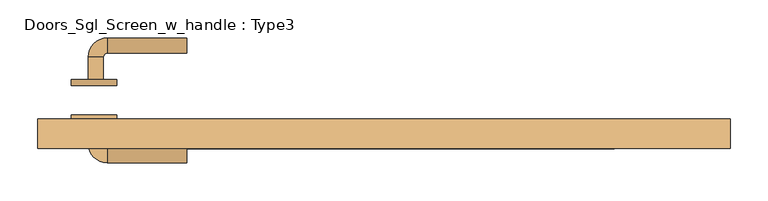
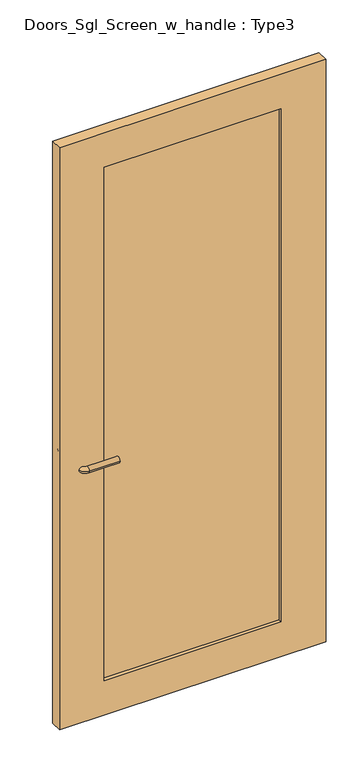
"""IFC4 building model written with IfcOpenShell, lengths in millimetres: door geometry, Doors_Sgl_Screen_w_handle : Type3."""

from ifc_helpers import new_model, si_unit, point, frame, frame_2d, origin, place, context, project, spatial, polyline, circle_curve, ellipse_curve, trimmed, segment, composite_curve, outline, extrude, source, transform, mapped, element, save
from ifc_brep_helpers import plane_surface, cylinder_surface, revolved_surface, advanced_brep


def doors_sgl_screen_w_handle_type3_7087f334(model_context):
    return source(origin(), model_context, "Body", "SolidModel", [
        advanced_brep(
        [(-389.4125, 33.964741, 914.4), (-369.4125, 33.964741, 914.4), (-389.4125, 63.964741, 914.4), (-369.4125, 63.964741, 914.4), (-364.4125, 68.964741, 914.4), (-364.4125, 88.964741, 914.4), (-259.4125, 88.964741, 914.4), (-259.4125, 68.964741, 914.4)],
        [
            (0, 1, circle_curve(frame((-379.4125, 33.964741, 914.4), z_axis=(0.0, -1.0, 0.0), x_axis=(1.0, 0.0, 0.0)), 10.0)),
            (1, 0, circle_curve(frame((-379.4125, 33.964741, 914.4), z_axis=(0.0, -1.0, 0.0), x_axis=(1.0, 0.0, 0.0)), 10.0)),
            (0, 2),
            (2, 3, circle_curve(frame((-379.4125, 63.964741, 914.4), z_axis=(0.0, -1.0, 0.0), x_axis=(1.0, 0.0, 0.0)), 10.0)),
            (3, 1),
            (3, 2, circle_curve(frame((-379.4125, 63.964741, 914.4), z_axis=(0.0, -1.0, 0.0), x_axis=(1.0, 0.0, 0.0)), 10.0)),
            (4, 3, circle_curve(frame((-364.4125, 63.964741, 914.4), z_axis=(0.0, 0.0, 1.0), x_axis=(-1.0, 0.0, 0.0)), 5.0)),
            (2, 5, circle_curve(frame((-364.4125, 63.964741, 914.4), z_axis=(0.0, 0.0, -1.0), x_axis=(-1.0, 0.0, 0.0)), 25.0)),
            (5, 4, circle_curve(frame((-364.4125, 78.964741, 914.4), z_axis=(-1.0, 0.0, 0.0), x_axis=(0.0, -1.0, 0.0)), 10.0)),
            (4, 5, circle_curve(frame((-364.4125, 78.964741, 914.4), z_axis=(-1.0, 0.0, 0.0), x_axis=(0.0, -1.0, 0.0)), 10.0)),
            (6, 7, circle_curve(frame((-259.4125, 78.964741, 914.4), z_axis=(1.0, 0.0, 0.0), x_axis=(0.0, -1.0, 0.0)), 10.0)),
            (7, 6, circle_curve(frame((-259.4125, 78.964741, 914.4), z_axis=(1.0, 0.0, 0.0), x_axis=(0.0, -1.0, 0.0)), 10.0)),
            (5, 6),
            (7, 4),
        ],
        [
            plane_surface(frame((-379.4125, 33.964741, 914.4), z_axis=(0.0, -1.0, 0.0), x_axis=(0.0, 0.0, 1.0))),
            cylinder_surface(frame((-379.4125, 33.964741, 914.4), z_axis=(0.0, -1.0, 0.0), x_axis=(1.0, 0.0, 0.0)), 10.0),
            revolved_surface(trimmed(ellipse_curve(frame((-379.4125, 63.964741, 914.4), z_axis=(0.0, -1.0, 0.0), x_axis=(1.0, 0.0, 0.0)), 10.0, 10.0), [point((-389.4125, 63.964741, 914.4))], [point((-369.4125, 63.964741, 914.4))], True, "CARTESIAN"), (-364.4125, 63.964741, 914.4), (0.0, 0.0, -1.0)),
            revolved_surface(trimmed(ellipse_curve(frame((-379.4125, 63.964741, 914.4), z_axis=(0.0, -1.0, 0.0), x_axis=(1.0, 0.0, 0.0)), 10.0, 10.0), [point((-369.4125, 63.964741, 914.4))], [point((-389.4125, 63.964741, 914.4))], True, "CARTESIAN"), (-364.4125, 63.964741, 914.4), (0.0, 0.0, -1.0)),
            plane_surface(frame((-259.4125, 78.964741, 914.4), z_axis=(1.0, 0.0, 0.0), x_axis=(0.0, 0.0, 1.0))),
            cylinder_surface(frame((-364.4125, 78.964741, 914.4), z_axis=(-1.0, 0.0, 0.0), x_axis=(0.0, -1.0, 0.0)), 10.0),
        ],
        [
            (0, [[1, 2]]),
            (1, [[-1, 3, 4, 5]]),
            (1, [[-2, -5, 6, -3]]),
            (2, [[7, -4, 8, 9]]),
            (3, [[-8, -6, -7, 10]]),
            (4, [[11, 12]]),
            (5, [[-9, 13, -12, 14]]),
            (5, [[-10, -14, -11, -13]]),
        ],
    ),
        extrude(outline(composite_curve([segment(trimmed(circle_curve(frame_2d((914.4, -381.9125)), 30.0), [point((914.4, -411.9125))], [point((914.4, -351.9125))], False, "CARTESIAN"), True, "CONTINUOUS"), segment(trimmed(circle_curve(frame_2d((914.4, -381.9125)), 30.0), [point((914.4, -351.9125))], [point((914.4, -411.9125))], False, "CARTESIAN"), True, "CONTINUOUS")], self_intersect=False)), frame((0.0, 25.964741, 0.0), z_axis=(0.0, 1.0, 0.0), x_axis=(0.0, 0.0, 1.0)), (0.0, 0.0, 1.0), 8.0),
        advanced_brep(
        [(-389.4125, -20.5788556, 914.4), (-369.4125, -20.5788556, 914.4), (-369.4125, -50.5788556, 914.4), (-389.4125, -50.5788556, 914.4), (-364.4125, -55.5788556, 914.4), (-364.4125, -75.5788556, 914.4), (-259.4125, -75.5788556, 914.4), (-259.4125, -55.5788556, 914.4)],
        [
            (0, 1, circle_curve(frame((-379.4125, -20.5788556, 914.4), z_axis=(0.0, 1.0, 0.0), x_axis=(1.0, 0.0, 0.0)), 10.0)),
            (1, 0, circle_curve(frame((-379.4125, -20.5788556, 914.4), z_axis=(0.0, 1.0, 0.0), x_axis=(1.0, 0.0, 0.0)), 10.0)),
            (1, 2),
            (2, 3, circle_curve(frame((-379.4125, -50.5788556, 914.4), z_axis=(0.0, 1.0, 0.0), x_axis=(1.0, 0.0, 0.0)), 10.0)),
            (3, 0),
            (3, 2, circle_curve(frame((-379.4125, -50.5788556, 914.4), z_axis=(0.0, 1.0, 0.0), x_axis=(1.0, 0.0, 0.0)), 10.0)),
            (4, 5, circle_curve(frame((-364.4125, -65.5788556, 914.4), z_axis=(-1.0, 0.0, 0.0), x_axis=(0.0, 1.0, 0.0)), 10.0)),
            (5, 3, circle_curve(frame((-364.4125, -50.5788556, 914.4), z_axis=(0.0, 0.0, -1.0), x_axis=(-1.0, 0.0, 0.0)), 25.0)),
            (2, 4, circle_curve(frame((-364.4125, -50.5788556, 914.4), z_axis=(0.0, 0.0, 1.0), x_axis=(-1.0, 0.0, 0.0)), 5.0)),
            (5, 4, circle_curve(frame((-364.4125, -65.5788556, 914.4), z_axis=(-1.0, 0.0, 0.0), x_axis=(0.0, 1.0, 0.0)), 10.0)),
            (6, 7, circle_curve(frame((-259.4125, -65.5788556, 914.4), z_axis=(1.0, 0.0, 0.0), x_axis=(0.0, 1.0, 0.0)), 10.0)),
            (7, 6, circle_curve(frame((-259.4125, -65.5788556, 914.4), z_axis=(1.0, 0.0, 0.0), x_axis=(0.0, 1.0, 0.0)), 10.0)),
            (4, 7),
            (6, 5),
        ],
        [
            plane_surface(frame((-379.4125, -20.5788556, 914.4), z_axis=(0.0, 1.0, 0.0), x_axis=(0.0, 0.0, 1.0))),
            cylinder_surface(frame((-379.4125, -20.5788556, 914.4), z_axis=(0.0, 1.0, 0.0), x_axis=(1.0, 0.0, 0.0)), 10.0),
            revolved_surface(trimmed(ellipse_curve(frame((-379.4125, -50.5788556, 914.4), z_axis=(0.0, -1.0, 0.0), x_axis=(1.0, 0.0, 0.0)), 10.0, 10.0), [point((-389.4125, -50.5788556, 914.4))], [point((-369.4125, -50.5788556, 914.4))], True, "CARTESIAN"), (-364.4125, -50.5788556, 914.4), (0.0, 0.0, -1.0)),
            revolved_surface(trimmed(ellipse_curve(frame((-379.4125, -50.5788556, 914.4), z_axis=(0.0, -1.0, 0.0), x_axis=(1.0, 0.0, 0.0)), 10.0, 10.0), [point((-369.4125, -50.5788556, 914.4))], [point((-389.4125, -50.5788556, 914.4))], True, "CARTESIAN"), (-364.4125, -50.5788556, 914.4), (0.0, 0.0, -1.0)),
            plane_surface(frame((-259.4125, -65.5788556, 914.4), z_axis=(1.0, 0.0, 0.0), x_axis=(0.0, 0.0, 1.0))),
            cylinder_surface(frame((-364.4125, -65.5788556, 914.4), z_axis=(-1.0, 0.0, 0.0), x_axis=(0.0, 1.0, 0.0)), 10.0),
        ],
        [
            (0, [[1, 2]]),
            (1, [[3, 4, 5, -2]]),
            (1, [[-5, 6, -3, -1]]),
            (2, [[7, 8, -4, 9]]),
            (3, [[10, -9, -6, -8]]),
            (4, [[11, 12]]),
            (5, [[13, -11, 14, -7]]),
            (5, [[-14, -12, -13, -10]]),
        ],
    ),
        extrude(outline(composite_curve([segment(trimmed(circle_curve(frame_2d((914.4, -381.9125)), 30.0), [point((914.4, -411.9125))], [point((914.4, -351.9125))], False, "CARTESIAN"), True, "CONTINUOUS"), segment(trimmed(circle_curve(frame_2d((914.4, -381.9125)), 30.0), [point((914.4, -351.9125))], [point((914.4, -411.9125))], False, "CARTESIAN"), True, "CONTINUOUS")], self_intersect=False)), frame((0.0, -20.5788556, 0.0), z_axis=(0.0, 1.0, 0.0), x_axis=(0.0, 0.0, 1.0)), (0.0, 0.0, 1.0), 8.0),
        extrude(outline(polyline([(303.2125, -31.75), (303.2125, -44.45), (-303.2125, -44.45), (-303.2125, -31.75), (303.2125, -31.75)])), frame((0.0, 0.0, 125.0), z_axis=(0.0, 0.0, 1.0), x_axis=(1.0, 0.0, 0.0)), (0.0, 0.0, 1.0), 1855.025),
        extrude(outline(polyline([(2105.025, -455.6125), (0.0, -455.6125), (0.0, 455.6125), (2105.025, 455.6125), (2105.025, -455.6125)]), holes=[polyline([(1980.025, -303.2125), (1980.025, 303.2125), (125.0, 303.2125), (125.0, -303.2125), (1980.025, -303.2125)])]), frame((0.0, -57.0288556, 0.0), z_axis=(0.0, 1.0, 0.0), x_axis=(0.0, 0.0, 1.0)), (0.0, 0.0, 1.0), 39.2435966),
    ])


if __name__ == "__main__":
    model = new_model("IFC4")
    model_context = context("Model", 3, world=origin())
    ifc_project = project(units=[si_unit("LENGTHUNIT", "METRE", prefix="MILLI")], contexts=[model_context])
    site = spatial("IfcSite", under=ifc_project)
    building = spatial("IfcBuilding", under=site)
    placement = place(None, origin())
    doors_sgl_screen_w_handle_type3_shape = doors_sgl_screen_w_handle_type3_7087f334(model_context)
    element("IfcDoor", 1, ObjectType="Doors_Sgl_Screen_w_handle : Type3", at=placement, inside=building, context=model_context, shape_type="MappedRepresentation", body=[
        mapped(doors_sgl_screen_w_handle_type3_shape, transform((0.0, 0.0, 0.0), x_axis=(1.0, 0.0, 0.0), y_axis=(0.0, 1.0, 0.0), z_axis=(0.0, 0.0, 1.0))),
    ])
    save(model, "model.ifc")
